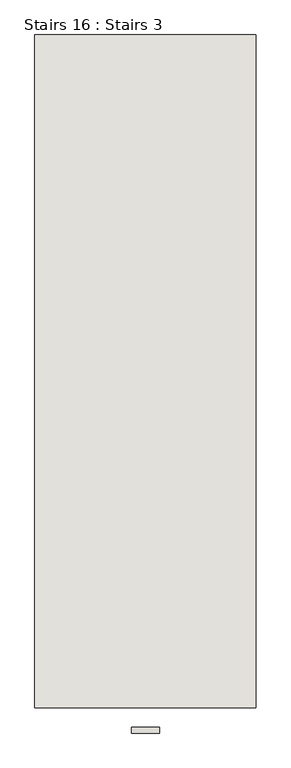
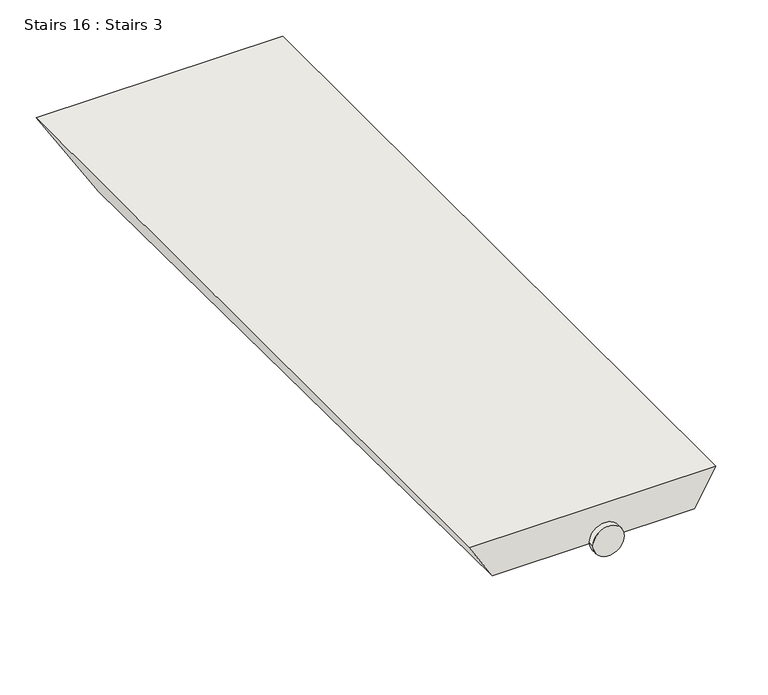
"""IFC4 building model written with IfcOpenShell, lengths in millimetres: wall geometry, Stairs 16 : Stairs 3."""

from ifc_helpers import new_model, si_unit, point, frame, frame_2d, origin, place, context, project, spatial, circle_curve, trimmed, segment, composite_curve, outline, extrude, faceted_brep, source, transform, mapped, element, save


def stairs_16_stairs_3_bce66a8e(model_context):
    return source(origin(), model_context, "Body", "SolidModel", [
        extrude(outline(composite_curve([segment(trimmed(circle_curve(frame_2d((68498.270354, 102530.4130243)), 25.0), [point((68498.270354, 102555.4130243))], [point((68498.270354, 102505.4130243))], False, "CARTESIAN"), True, "CONTINUOUS"), segment(trimmed(circle_curve(frame_2d((68498.270354, 102530.4130243)), 25.0), [point((68498.270354, 102505.4130243))], [point((68498.270354, 102555.4130243))], False, "CARTESIAN"), True, "CONTINUOUS")], self_intersect=False)), frame((0.0, -36520.9230841, 0.0), z_axis=(0.0, 1.0, 0.0), x_axis=(0.0, 0.0, 1.0)), (0.0, 0.0, 1.0), 10.0),
        faceted_brep([(102727.760004, -36475.9230841, 68528.270354), (102333.0660446, -36475.9230841, 68528.270354), (102370.5582057, -36475.9230841, 68468.270354), (102693.1189879, -36475.9230841, 68468.270354), (102333.0660446, -35275.9230841, 68528.270354), (102727.760004, -35275.9230841, 68528.270354), (102635.383961, -35275.9230841, 68368.270354), (102433.0451409, -35275.9230841, 68368.270354)], [[[0, 1, 2, 3]], [[4, 5, 6, 7]], [[5, 4, 1, 0]], [[7, 6, 3, 2]], [[2, 1, 4, 7]], [[0, 3, 6, 5]]]),
    ])


if __name__ == "__main__":
    model = new_model("IFC4")
    model_context = context("Model", 3, world=origin())
    ifc_project = project(units=[si_unit("LENGTHUNIT", "METRE", prefix="MILLI")], contexts=[model_context])
    site = spatial("IfcSite", under=ifc_project)
    building = spatial("IfcBuilding", under=site)
    placement = place(None, origin())
    stairs_16_stairs_3_shape = stairs_16_stairs_3_bce66a8e(model_context)
    element("IfcWall", 1, ObjectType="Stairs 16 : Stairs 3", at=placement, inside=building, context=model_context, shape_type="MappedRepresentation", body=[
        mapped(stairs_16_stairs_3_shape, transform((0.0, 0.0, 0.0), x_axis=(1.0, 0.0, 0.0), y_axis=(0.0, 1.0, 0.0), z_axis=(0.0, 0.0, 1.0))),
    ])
    save(model, "model.ifc")
